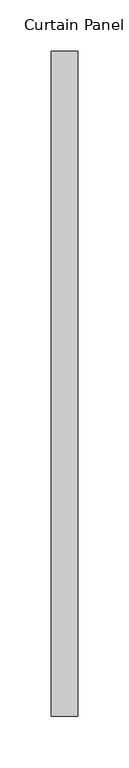
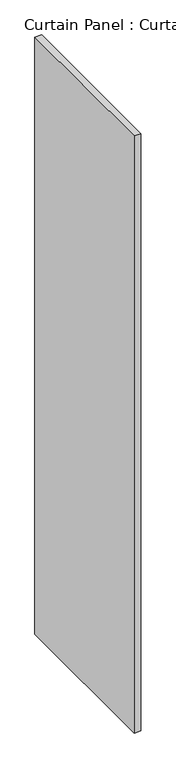
"""IFC4 building model written with IfcOpenShell, lengths in millimetres: plate geometry, Curtain Panel : Curtain Panel."""

import ifcopenshell
import ifcopenshell.guid

model = None  # the IFC model being written
_history = None  # IfcOwnerHistory: only IFC2X3 demands one
_inside = {}  # id of a spatial element -> (the spatial element, [elements in it])
_under = {}  # id of a project, library or spatial element -> (it, [spatial elements below it])
_declared = {}  # id of a project -> (the project, [libraries it declares])
_typed = {}  # id of a type object -> (the type object, [elements of that type])
_made_of = {}  # id of a material, layer set ... -> (it, [elements and type objects made of it])


def new_model(schema):
    """Start an empty IFC model of exactly this schema.

    Asked for "IFC4X3", IfcOpenShell would pick the latest addendum, in which some entities
    have other attributes; the version numbers below select the first issue.
    IFC2X3 requires an IfcOwnerHistory on every rooted entity: one is made here for all.
    """
    global model, _history
    if schema == "IFC4X3":
        model = ifcopenshell.file(schema_version=(4, 3, 0, 0))
    else:
        model = ifcopenshell.file(schema=schema)
    _inside.clear()
    _under.clear()
    _declared.clear()
    _typed.clear()
    _made_of.clear()
    _history = None
    if model.schema == "IFC2X3":
        org = make("IfcOrganization", Name="unknown")
        user = make(
            "IfcPersonAndOrganization",
            ThePerson=make("IfcPerson", FamilyName="unknown"),
            TheOrganization=org,
        )
        app = make(
            "IfcApplication",
            ApplicationDeveloper=org,
            Version="unknown",
            ApplicationFullName="unknown",
            ApplicationIdentifier="unknown",
        )
        _history = make(
            "IfcOwnerHistory",
            OwningUser=user,
            OwningApplication=app,
            ChangeAction="ADDED",
            CreationDate=0,
        )
    return model


def make(cls, **values):
    """One entity of the class cls with the attributes given. An attribute that is None is left unset."""
    return model.create_entity(
        cls, **{name: value for name, value in values.items() if value is not None}
    )


def rooted(cls, **values):
    """An entity with a GlobalId (a new one), such as an element, a storey or a relation."""
    return make(cls, GlobalId=ifcopenshell.guid.new(), OwnerHistory=_history, **values)


def si_unit(unit_type, name, prefix=None):
    """IfcSIUnit, for example si_unit("LENGTHUNIT", "METRE", prefix="MILLI")."""
    return make("IfcSIUnit", UnitType=unit_type, Prefix=prefix, Name=name)


def assignment(units):
    """IfcUnitAssignment: the units of a project."""
    return None if units is None else make("IfcUnitAssignment", Units=units)


def point(xyz):
    """IfcCartesianPoint."""
    return None if xyz is None else make("IfcCartesianPoint", Coordinates=xyz)


def direction(xyz):
    """IfcDirection."""
    return None if xyz is None else make("IfcDirection", DirectionRatios=xyz)


def frame(location, z_axis=None, x_axis=None):
    """IfcAxis2Placement3D, a coordinate frame: its origin and axes. An axis left out is left unset."""
    return make(
        "IfcAxis2Placement3D",
        Location=point(location),
        Axis=direction(z_axis),
        RefDirection=direction(x_axis),
    )


def origin():
    """The frame at (0, 0, 0) with its axes left unset."""
    return frame((0.0, 0.0, 0.0))


def place(relative_to, where):
    """IfcLocalPlacement: puts the frame where relative to a parent placement (None: the world)."""
    return make(
        "IfcLocalPlacement", PlacementRelTo=relative_to, RelativePlacement=where
    )


def context(
    kind, dimensions, precision=None, world=None, true_north=None, identifier=None
):
    """IfcGeometricRepresentationContext, for example the 3D "Model" context."""
    return make(
        "IfcGeometricRepresentationContext",
        ContextIdentifier=identifier,
        ContextType=kind,
        CoordinateSpaceDimension=dimensions,
        Precision=precision,
        WorldCoordinateSystem=world,
        TrueNorth=true_north,
    )


def project(units=None, contexts=None):
    """IfcProject with its units and contexts."""
    return rooted(
        "IfcProject",
        Name="project",
        RepresentationContexts=contexts,
        UnitsInContext=assignment(units),
    )


def spatial(cls, under=None, at=None, **own):
    """A site, building, storey or space (cls), placed at a placement, below another one or the project."""
    s = rooted(cls, ObjectPlacement=at, **own)
    if under is not None:
        _under.setdefault(under.id(), (under, []))[1].append(s)
    return s


def polyline(points):
    """IfcPolyline through the points."""
    return make("IfcPolyline", Points=[point(p) for p in points])


def outline(outer, holes=None, kind="AREA"):
    """IfcArbitraryClosedProfileDef: a profile drawn as a closed curve; with holes, ...WithVoids."""
    if holes is None:
        return make("IfcArbitraryClosedProfileDef", ProfileType=kind, OuterCurve=outer)
    return make(
        "IfcArbitraryProfileDefWithVoids",
        ProfileType=kind,
        OuterCurve=outer,
        InnerCurves=holes,
    )


def extrude(swept, where, along, depth):
    """IfcExtrudedAreaSolid: the profile swept, set in the frame where, extruded along a direction by depth."""
    return make(
        "IfcExtrudedAreaSolid",
        SweptArea=swept,
        Position=where,
        ExtrudedDirection=direction(along),
        Depth=depth,
    )


def shape(context_of_items, identifier, shape_type, items):
    """IfcShapeRepresentation: the items that make up one representation, for example the "Body"."""
    return make(
        "IfcShapeRepresentation",
        ContextOfItems=context_of_items,
        RepresentationIdentifier=identifier,
        RepresentationType=shape_type,
        Items=items,
    )


def source(mapping_origin, context_of_items, identifier, shape_type, items):
    """IfcRepresentationMap: a shape defined once, which mapped items show again and again."""
    return make(
        "IfcRepresentationMap",
        MappingOrigin=mapping_origin,
        MappedRepresentation=shape(context_of_items, identifier, shape_type, items),
    )


def transform(
    local_origin,
    x_axis=None,
    y_axis=None,
    z_axis=None,
    scale=None,
    scale2=None,
    scale3=None,
    uniform=True,
):
    """IfcCartesianTransformationOperator3D, or its non-uniform kind. x_axis, y_axis, z_axis: its Axis1, 2, 3."""
    if uniform:
        return make(
            "IfcCartesianTransformationOperator3D",
            Axis1=direction(x_axis),
            Axis2=direction(y_axis),
            LocalOrigin=point(local_origin),
            Scale=scale,
            Axis3=direction(z_axis),
        )
    return make(
        "IfcCartesianTransformationOperator3DnonUniform",
        Axis1=direction(x_axis),
        Axis2=direction(y_axis),
        LocalOrigin=point(local_origin),
        Scale=scale,
        Axis3=direction(z_axis),
        Scale2=scale2,
        Scale3=scale3,
    )


def mapped(mapping_source, mapping_target):
    """IfcMappedItem: shows the shape of a source again, moved by a transform."""
    return make(
        "IfcMappedItem", MappingSource=mapping_source, MappingTarget=mapping_target
    )


def made_of(thing, what):
    """Note that an element or type object is made of a material, layer set ...; save() writes the relation."""
    if what is not None:
        _made_of.setdefault(what.id(), (what, []))[1].append(thing)
    return thing


def element(
    cls,
    number,
    at=None,
    inside=None,
    cuts=None,
    type_object=None,
    material=None,
    context=None,
    identifier="Body",
    shape_type=None,
    held_by="IfcProductDefinitionShape",
    body=None,
    shapes=None,
    **own,
):
    """One element of the class cls, such as IfcWall. Its Tag is "e" and its number.

    at: its placement. inside: the storey or other place that contains it. cuts: it is an
    opening in that element (IfcRelVoidsElement). A single representation is given by context,
    identifier, shape_type and body (its items); several are given by shapes. held_by: the class
    of the entity that holds the representations. save() writes the other relations.
    """
    e = rooted(cls, Tag="e%d" % number, ObjectPlacement=at, **own)
    if body is not None:
        shapes = [shape(context, identifier, shape_type, body)]
    if shapes is not None:
        e.Representation = make(held_by, Representations=shapes)
    if inside is not None:
        _inside.setdefault(inside.id(), (inside, []))[1].append(e)
    if cuts is not None:
        rooted(
            "IfcRelVoidsElement", RelatingBuildingElement=cuts, RelatedOpeningElement=e
        )
    if type_object is not None:
        _typed.setdefault(type_object.id(), (type_object, []))[1].append(e)
    return made_of(e, material)


def aggregate(whole, parts):
    """IfcRelAggregates: a whole, such as a stair, and the parts it consists of."""
    return rooted("IfcRelAggregates", RelatingObject=whole, RelatedObjects=parts)


def save(model, path):
    """Write the relations noted so far, then the file.

    IfcRelAggregates (storeys below a building ...), IfcRelContainedInSpatialStructure (elements
    in a storey), IfcRelDefinesByType, IfcRelAssociatesMaterial and IfcRelDeclares: one each for
    every whole, place, type object, material and project.
    """
    for whole, parts in _under.values():
        aggregate(whole, parts)
    for where, things in _inside.values():
        rooted(
            "IfcRelContainedInSpatialStructure",
            RelatedElements=things,
            RelatingStructure=where,
        )
    for kind, things in _typed.values():
        rooted("IfcRelDefinesByType", RelatedObjects=things, RelatingType=kind)
    for what, things in _made_of.values():
        rooted("IfcRelAssociatesMaterial", RelatedObjects=things, RelatingMaterial=what)
    for by, libraries in _declared.values():
        rooted("IfcRelDeclares", RelatingContext=by, RelatedDefinitions=libraries)
    model.write(path)


def curtain_panel_curtain_panel_728c0b79(model_context):
    return source(origin(), model_context, "Body", "SweptSolid", [
        extrude(outline(polyline([(-173914.1972439, 7367.3563365), (-173914.1972439, 6720.8802048), (-173939.5972439, 6720.8802048), (-173939.5972439, 7367.3563365), (-173914.1972439, 7367.3563365)])), frame((0.0, 0.0, 46.0375), z_axis=(0.0, 0.0, 1.0), x_axis=(1.0, 0.0, 0.0)), (0.0, 0.0, 1.0), 2374.9),
    ])


if __name__ == "__main__":
    model = new_model("IFC4")
    model_context = context("Model", 3, world=origin())
    ifc_project = project(units=[si_unit("LENGTHUNIT", "METRE", prefix="MILLI")], contexts=[model_context])
    site = spatial("IfcSite", under=ifc_project)
    building = spatial("IfcBuilding", under=site)
    placement = place(None, origin())
    curtain_panel_curtain_panel_shape = curtain_panel_curtain_panel_728c0b79(model_context)
    element("IfcPlate", 1, ObjectType="Curtain Panel : Curtain Panel", at=placement, inside=building, context=model_context, shape_type="MappedRepresentation", body=[
        mapped(curtain_panel_curtain_panel_shape, transform((0.0, 0.0, 0.0), x_axis=(1.0, 0.0, 0.0), y_axis=(0.0, 1.0, 0.0), z_axis=(0.0, 0.0, 1.0))),
    ])
    save(model, "model.ifc")
